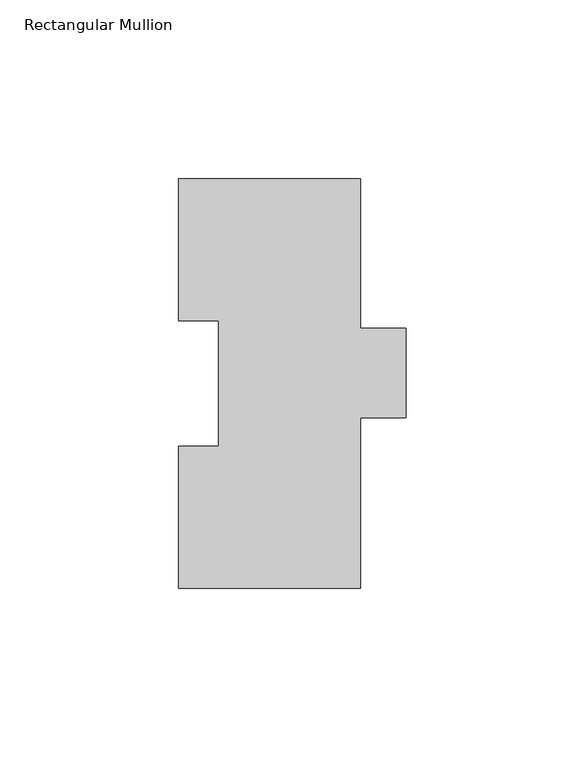
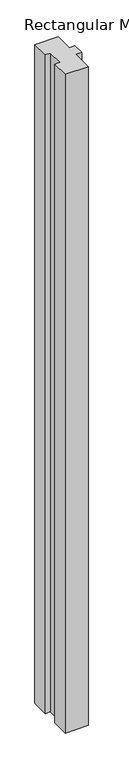
"""IFC4 building model written with IfcOpenShell, lengths in millimetres: member geometry, Rectangular Mullion."""

from ifc_helpers import new_model, si_unit, frame, origin, place, context, project, spatial, polyline, outline, extrude, source, transform, mapped, element, save


def rectangular_mullion_f129c47e(model_context):
    return source(origin(), model_context, "Body", "SweptSolid", [
        extrude(outline(polyline([(-25.4, 114.271425), (25.4, 114.271425), (25.4, 72.564625), (38.1, 72.564625), (38.1, 47.596425), (25.4, 47.596425), (25.4, -0.028575), (-25.4, -0.028575), (-25.4, 39.646225), (-14.2875, 39.646225), (-14.2875, 74.596625), (-25.4, 74.596625), (-25.4, 114.271425)])), frame((0.0, 0.0, -1524.0), z_axis=(0.0, 0.0, 1.0), x_axis=(1.0, 0.0, 0.0)), (0.0, 0.0, 1.0), 1524.0),
    ])


if __name__ == "__main__":
    model = new_model("IFC4")
    model_context = context("Model", 3, world=origin())
    ifc_project = project(units=[si_unit("LENGTHUNIT", "METRE", prefix="MILLI")], contexts=[model_context])
    site = spatial("IfcSite", under=ifc_project)
    building = spatial("IfcBuilding", under=site)
    placement = place(None, origin())
    rectangular_mullion_shape = rectangular_mullion_f129c47e(model_context)
    element("IfcMember", 1, ObjectType="Rectangular Mullion", at=placement, inside=building, context=model_context, shape_type="MappedRepresentation", body=[
        mapped(rectangular_mullion_shape, transform((0.0, 0.0, 0.0), x_axis=(1.0, 0.0, 0.0), y_axis=(0.0, 1.0, 0.0), z_axis=(0.0, 0.0, 1.0))),
    ])
    save(model, "model.ifc")
